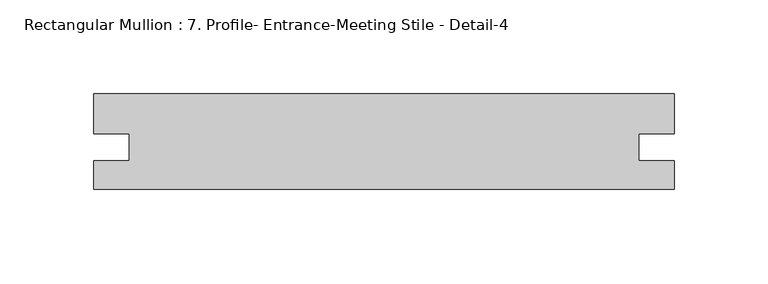
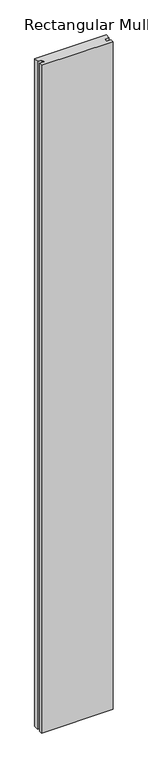
"""IFC4 building model written with IfcOpenShell, lengths in millimetres: member geometry, Rectangular Mullion : 7. Profile- Entrance-Meeting Stile - Detail-4."""

from ifc_helpers import new_model, si_unit, frame, origin, place, context, project, spatial, polyline, outline, extrude, source, transform, mapped, element, save


def rectangular_mullion_7_profile_entrance_meeting_stile_detail_ace8bff7(model_context):
    return source(origin(), model_context, "Body", "SweptSolid", [
        extrude(outline(polyline([(-309.5481209, 0.0), (-309.5481209, 15.09903), (-290.5235209, 15.09903), (-290.5235209, 29.4119234), (-309.5481196, 29.4119234), (-309.5481196, 50.8), (-1.3e-06, 50.8), (-1.3e-06, 29.4119234), (-19.0246, 29.4119234), (-19.0246, 15.0990287), (0.0, 15.0990287), (0.0, 0.0), (-309.5481209, 0.0)])), frame((0.0, 0.0, -3048.0), z_axis=(0.0, 0.0, 1.0), x_axis=(1.0, 0.0, 0.0)), (0.0, 0.0, 1.0), 3048.0),
    ])


if __name__ == "__main__":
    model = new_model("IFC4")
    model_context = context("Model", 3, world=origin())
    ifc_project = project(units=[si_unit("LENGTHUNIT", "METRE", prefix="MILLI")], contexts=[model_context])
    site = spatial("IfcSite", under=ifc_project)
    building = spatial("IfcBuilding", under=site)
    placement = place(None, origin())
    rectangular_mullion_7_profile_entrance_meeting_stile_detail_shape = rectangular_mullion_7_profile_entrance_meeting_stile_detail_ace8bff7(model_context)
    element("IfcMember", 1, ObjectType="Rectangular Mullion : 7. Profile- Entrance-Meeting Stile - Detail-4", at=placement, inside=building, context=model_context, shape_type="MappedRepresentation", body=[
        mapped(rectangular_mullion_7_profile_entrance_meeting_stile_detail_shape, transform((0.0, 0.0, 0.0), x_axis=(1.0, 0.0, 0.0), y_axis=(0.0, 1.0, 0.0), z_axis=(0.0, 0.0, 1.0))),
    ])
    save(model, "model.ifc")
